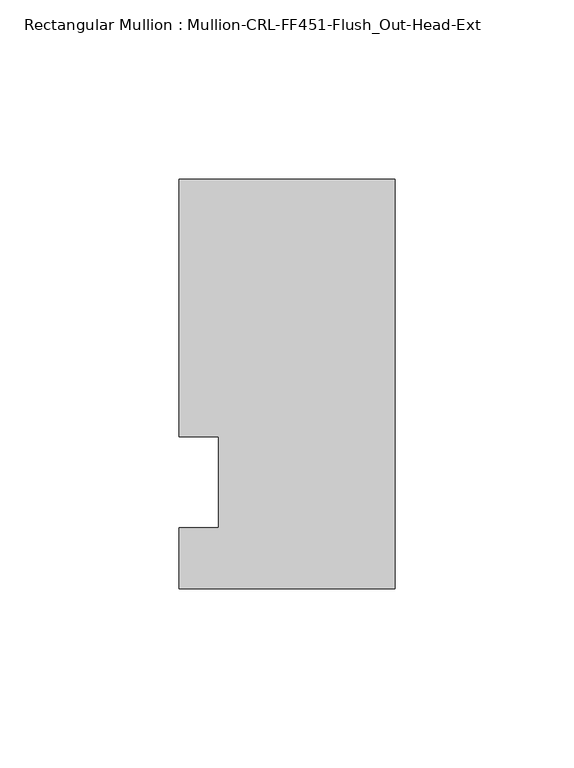
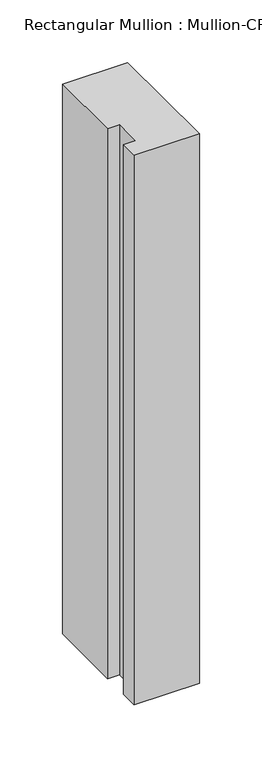
"""IFC4 building model written with IfcOpenShell, lengths in millimetres: member geometry, Rectangular Mullion : Mullion-CRL-FF451-Flush_Out-Head-Ext."""

from ifc_helpers import new_model, si_unit, frame, origin, place, context, project, spatial, polyline, outline, extrude, source, transform, mapped, element, save


def rectangular_mullion_mullion_crl_ff451_flush_out_head_ext_9875c731(model_context):
    return source(origin(), model_context, "Body", "SweptSolid", [
        extrude(outline(polyline([(0.0, 84.6650108), (0.0, -29.6349892), (-60.325, -29.6349892), (-60.325, -12.7), (-49.2125, -12.7), (-49.2125, 12.7), (-60.325, 12.7), (-60.325, 84.6650108), (0.0, 84.6650108)])), frame((0.0, 0.0, -536.492441), z_axis=(0.0, 0.0, 1.0), x_axis=(1.0, 0.0, 0.0)), (0.0, 0.0, 1.0), 536.492441),
    ])


if __name__ == "__main__":
    model = new_model("IFC4")
    model_context = context("Model", 3, world=origin())
    ifc_project = project(units=[si_unit("LENGTHUNIT", "METRE", prefix="MILLI")], contexts=[model_context])
    site = spatial("IfcSite", under=ifc_project)
    building = spatial("IfcBuilding", under=site)
    placement = place(None, origin())
    rectangular_mullion_mullion_crl_ff451_flush_out_head_ext_shape = rectangular_mullion_mullion_crl_ff451_flush_out_head_ext_9875c731(model_context)
    element("IfcMember", 1, ObjectType="Rectangular Mullion : Mullion-CRL-FF451-Flush_Out-Head-Ext", at=placement, inside=building, context=model_context, shape_type="MappedRepresentation", body=[
        mapped(rectangular_mullion_mullion_crl_ff451_flush_out_head_ext_shape, transform((0.0, 0.0, 0.0), x_axis=(1.0, 0.0, 0.0), y_axis=(0.0, 1.0, 0.0), z_axis=(0.0, 0.0, 1.0))),
    ])
    save(model, "model.ifc")
